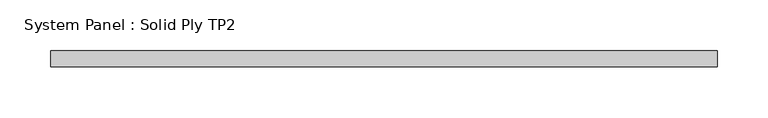
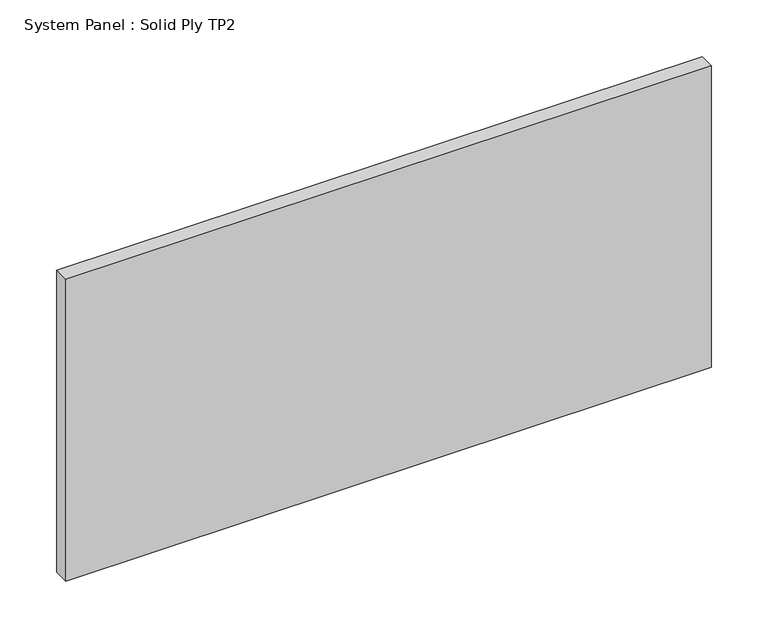
"""IFC4 building model written with IfcOpenShell, lengths in millimetres: plate geometry, System Panel : Solid Ply TP2."""

from ifc_helpers import new_model, si_unit, origin, origin_with_axes, place, context, project, spatial, polyline, outline, extrude, source, transform, mapped, element, save


def system_panel_solid_ply_tp2_96f76b98(model_context):
    return source(origin(), model_context, "Body", "SweptSolid", [
        extrude(outline(polyline([(328.7500002, -23.0), (-328.7500002, -23.0), (-328.7500002, -7.0), (328.7500002, -7.0), (328.7500002, -23.0)])), origin_with_axes(), (0.0, 0.0, 1.0), 324.7360307),
    ])


if __name__ == "__main__":
    model = new_model("IFC4")
    model_context = context("Model", 3, world=origin())
    ifc_project = project(units=[si_unit("LENGTHUNIT", "METRE", prefix="MILLI")], contexts=[model_context])
    site = spatial("IfcSite", under=ifc_project)
    building = spatial("IfcBuilding", under=site)
    placement = place(None, origin())
    system_panel_solid_ply_tp2_shape = system_panel_solid_ply_tp2_96f76b98(model_context)
    element("IfcPlate", 1, ObjectType="System Panel : Solid Ply TP2", at=placement, inside=building, context=model_context, shape_type="MappedRepresentation", body=[
        mapped(system_panel_solid_ply_tp2_shape, transform((0.0, 0.0, 0.0), x_axis=(1.0, 0.0, 0.0), y_axis=(0.0, 1.0, 0.0), z_axis=(0.0, 0.0, 1.0))),
    ])
    save(model, "model.ifc")
